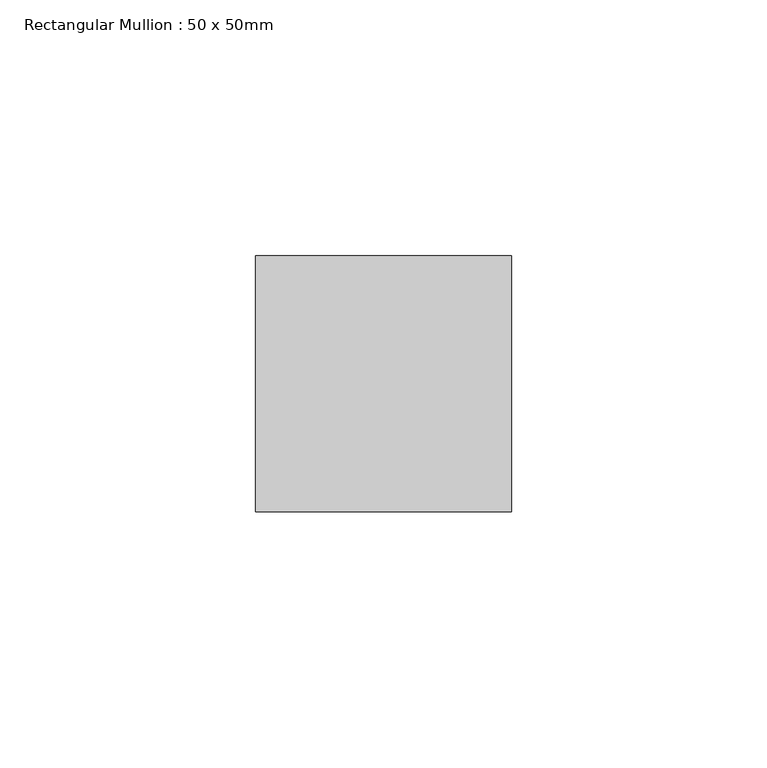
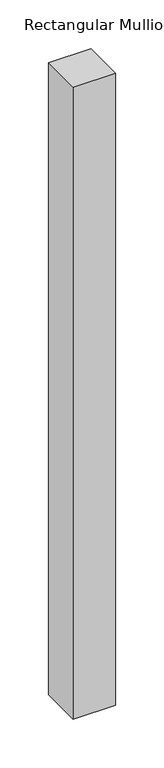
"""IFC4 building model written with IfcOpenShell, lengths in millimetres: member geometry, Rectangular Mullion : 50 x 50mm."""

import ifcopenshell
import ifcopenshell.guid

model = None  # the IFC model being written
_history = None  # IfcOwnerHistory: only IFC2X3 demands one
_inside = {}  # id of a spatial element -> (the spatial element, [elements in it])
_under = {}  # id of a project, library or spatial element -> (it, [spatial elements below it])
_declared = {}  # id of a project -> (the project, [libraries it declares])
_typed = {}  # id of a type object -> (the type object, [elements of that type])
_made_of = {}  # id of a material, layer set ... -> (it, [elements and type objects made of it])


def new_model(schema):
    """Start an empty IFC model of exactly this schema.

    Asked for "IFC4X3", IfcOpenShell would pick the latest addendum, in which some entities
    have other attributes; the version numbers below select the first issue.
    IFC2X3 requires an IfcOwnerHistory on every rooted entity: one is made here for all.
    """
    global model, _history
    if schema == "IFC4X3":
        model = ifcopenshell.file(schema_version=(4, 3, 0, 0))
    else:
        model = ifcopenshell.file(schema=schema)
    _inside.clear()
    _under.clear()
    _declared.clear()
    _typed.clear()
    _made_of.clear()
    _history = None
    if model.schema == "IFC2X3":
        org = make("IfcOrganization", Name="unknown")
        user = make(
            "IfcPersonAndOrganization",
            ThePerson=make("IfcPerson", FamilyName="unknown"),
            TheOrganization=org,
        )
        app = make(
            "IfcApplication",
            ApplicationDeveloper=org,
            Version="unknown",
            ApplicationFullName="unknown",
            ApplicationIdentifier="unknown",
        )
        _history = make(
            "IfcOwnerHistory",
            OwningUser=user,
            OwningApplication=app,
            ChangeAction="ADDED",
            CreationDate=0,
        )
    return model


def make(cls, **values):
    """One entity of the class cls with the attributes given. An attribute that is None is left unset."""
    return model.create_entity(
        cls, **{name: value for name, value in values.items() if value is not None}
    )


def rooted(cls, **values):
    """An entity with a GlobalId (a new one), such as an element, a storey or a relation."""
    return make(cls, GlobalId=ifcopenshell.guid.new(), OwnerHistory=_history, **values)


def si_unit(unit_type, name, prefix=None):
    """IfcSIUnit, for example si_unit("LENGTHUNIT", "METRE", prefix="MILLI")."""
    return make("IfcSIUnit", UnitType=unit_type, Prefix=prefix, Name=name)


def assignment(units):
    """IfcUnitAssignment: the units of a project."""
    return None if units is None else make("IfcUnitAssignment", Units=units)


def point(xyz):
    """IfcCartesianPoint."""
    return None if xyz is None else make("IfcCartesianPoint", Coordinates=xyz)


def direction(xyz):
    """IfcDirection."""
    return None if xyz is None else make("IfcDirection", DirectionRatios=xyz)


def frame(location, z_axis=None, x_axis=None):
    """IfcAxis2Placement3D, a coordinate frame: its origin and axes. An axis left out is left unset."""
    return make(
        "IfcAxis2Placement3D",
        Location=point(location),
        Axis=direction(z_axis),
        RefDirection=direction(x_axis),
    )


def origin():
    """The frame at (0, 0, 0) with its axes left unset."""
    return frame((0.0, 0.0, 0.0))


def place(relative_to, where):
    """IfcLocalPlacement: puts the frame where relative to a parent placement (None: the world)."""
    return make(
        "IfcLocalPlacement", PlacementRelTo=relative_to, RelativePlacement=where
    )


def context(
    kind, dimensions, precision=None, world=None, true_north=None, identifier=None
):
    """IfcGeometricRepresentationContext, for example the 3D "Model" context."""
    return make(
        "IfcGeometricRepresentationContext",
        ContextIdentifier=identifier,
        ContextType=kind,
        CoordinateSpaceDimension=dimensions,
        Precision=precision,
        WorldCoordinateSystem=world,
        TrueNorth=true_north,
    )


def project(units=None, contexts=None):
    """IfcProject with its units and contexts."""
    return rooted(
        "IfcProject",
        Name="project",
        RepresentationContexts=contexts,
        UnitsInContext=assignment(units),
    )


def spatial(cls, under=None, at=None, **own):
    """A site, building, storey or space (cls), placed at a placement, below another one or the project."""
    s = rooted(cls, ObjectPlacement=at, **own)
    if under is not None:
        _under.setdefault(under.id(), (under, []))[1].append(s)
    return s


def polyline(points):
    """IfcPolyline through the points."""
    return make("IfcPolyline", Points=[point(p) for p in points])


def outline(outer, holes=None, kind="AREA"):
    """IfcArbitraryClosedProfileDef: a profile drawn as a closed curve; with holes, ...WithVoids."""
    if holes is None:
        return make("IfcArbitraryClosedProfileDef", ProfileType=kind, OuterCurve=outer)
    return make(
        "IfcArbitraryProfileDefWithVoids",
        ProfileType=kind,
        OuterCurve=outer,
        InnerCurves=holes,
    )


def extrude(swept, where, along, depth):
    """IfcExtrudedAreaSolid: the profile swept, set in the frame where, extruded along a direction by depth."""
    return make(
        "IfcExtrudedAreaSolid",
        SweptArea=swept,
        Position=where,
        ExtrudedDirection=direction(along),
        Depth=depth,
    )


def shape(context_of_items, identifier, shape_type, items):
    """IfcShapeRepresentation: the items that make up one representation, for example the "Body"."""
    return make(
        "IfcShapeRepresentation",
        ContextOfItems=context_of_items,
        RepresentationIdentifier=identifier,
        RepresentationType=shape_type,
        Items=items,
    )


def source(mapping_origin, context_of_items, identifier, shape_type, items):
    """IfcRepresentationMap: a shape defined once, which mapped items show again and again."""
    return make(
        "IfcRepresentationMap",
        MappingOrigin=mapping_origin,
        MappedRepresentation=shape(context_of_items, identifier, shape_type, items),
    )


def transform(
    local_origin,
    x_axis=None,
    y_axis=None,
    z_axis=None,
    scale=None,
    scale2=None,
    scale3=None,
    uniform=True,
):
    """IfcCartesianTransformationOperator3D, or its non-uniform kind. x_axis, y_axis, z_axis: its Axis1, 2, 3."""
    if uniform:
        return make(
            "IfcCartesianTransformationOperator3D",
            Axis1=direction(x_axis),
            Axis2=direction(y_axis),
            LocalOrigin=point(local_origin),
            Scale=scale,
            Axis3=direction(z_axis),
        )
    return make(
        "IfcCartesianTransformationOperator3DnonUniform",
        Axis1=direction(x_axis),
        Axis2=direction(y_axis),
        LocalOrigin=point(local_origin),
        Scale=scale,
        Axis3=direction(z_axis),
        Scale2=scale2,
        Scale3=scale3,
    )


def mapped(mapping_source, mapping_target):
    """IfcMappedItem: shows the shape of a source again, moved by a transform."""
    return make(
        "IfcMappedItem", MappingSource=mapping_source, MappingTarget=mapping_target
    )


def made_of(thing, what):
    """Note that an element or type object is made of a material, layer set ...; save() writes the relation."""
    if what is not None:
        _made_of.setdefault(what.id(), (what, []))[1].append(thing)
    return thing


def element(
    cls,
    number,
    at=None,
    inside=None,
    cuts=None,
    type_object=None,
    material=None,
    context=None,
    identifier="Body",
    shape_type=None,
    held_by="IfcProductDefinitionShape",
    body=None,
    shapes=None,
    **own,
):
    """One element of the class cls, such as IfcWall. Its Tag is "e" and its number.

    at: its placement. inside: the storey or other place that contains it. cuts: it is an
    opening in that element (IfcRelVoidsElement). A single representation is given by context,
    identifier, shape_type and body (its items); several are given by shapes. held_by: the class
    of the entity that holds the representations. save() writes the other relations.
    """
    e = rooted(cls, Tag="e%d" % number, ObjectPlacement=at, **own)
    if body is not None:
        shapes = [shape(context, identifier, shape_type, body)]
    if shapes is not None:
        e.Representation = make(held_by, Representations=shapes)
    if inside is not None:
        _inside.setdefault(inside.id(), (inside, []))[1].append(e)
    if cuts is not None:
        rooted(
            "IfcRelVoidsElement", RelatingBuildingElement=cuts, RelatedOpeningElement=e
        )
    if type_object is not None:
        _typed.setdefault(type_object.id(), (type_object, []))[1].append(e)
    return made_of(e, material)


def aggregate(whole, parts):
    """IfcRelAggregates: a whole, such as a stair, and the parts it consists of."""
    return rooted("IfcRelAggregates", RelatingObject=whole, RelatedObjects=parts)


def save(model, path):
    """Write the relations noted so far, then the file.

    IfcRelAggregates (storeys below a building ...), IfcRelContainedInSpatialStructure (elements
    in a storey), IfcRelDefinesByType, IfcRelAssociatesMaterial and IfcRelDeclares: one each for
    every whole, place, type object, material and project.
    """
    for whole, parts in _under.values():
        aggregate(whole, parts)
    for where, things in _inside.values():
        rooted(
            "IfcRelContainedInSpatialStructure",
            RelatedElements=things,
            RelatingStructure=where,
        )
    for kind, things in _typed.values():
        rooted("IfcRelDefinesByType", RelatedObjects=things, RelatingType=kind)
    for what, things in _made_of.values():
        rooted("IfcRelAssociatesMaterial", RelatedObjects=things, RelatingMaterial=what)
    for by, libraries in _declared.values():
        rooted("IfcRelDeclares", RelatingContext=by, RelatedDefinitions=libraries)
    model.write(path)


def rectangular_mullion_50_x_50mm_005da62c(model_context):
    return source(origin(), model_context, "Body", "SweptSolid", [
        extrude(outline(polyline([(0.0, 50.0), (0.0, 0.0), (-50.0, 0.0), (-50.0, 50.0), (0.0, 50.0)])), frame((0.0, 0.0, -790.0), z_axis=(0.0, 0.0, 1.0), x_axis=(1.0, 0.0, 0.0)), (0.0, 0.0, 1.0), 790.0),
    ])


if __name__ == "__main__":
    model = new_model("IFC4")
    model_context = context("Model", 3, world=origin())
    ifc_project = project(units=[si_unit("LENGTHUNIT", "METRE", prefix="MILLI")], contexts=[model_context])
    site = spatial("IfcSite", under=ifc_project)
    building = spatial("IfcBuilding", under=site)
    placement = place(None, origin())
    rectangular_mullion_50_x_50mm_shape = rectangular_mullion_50_x_50mm_005da62c(model_context)
    element("IfcMember", 1, ObjectType="Rectangular Mullion : 50 x 50mm", at=placement, inside=building, context=model_context, shape_type="MappedRepresentation", body=[
        mapped(rectangular_mullion_50_x_50mm_shape, transform((0.0, 0.0, 0.0), x_axis=(1.0, 0.0, 0.0), y_axis=(0.0, 1.0, 0.0), z_axis=(0.0, 0.0, 1.0))),
    ])
    save(model, "model.ifc")
